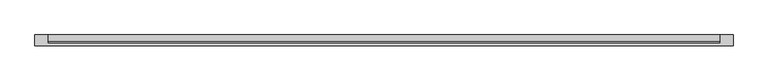
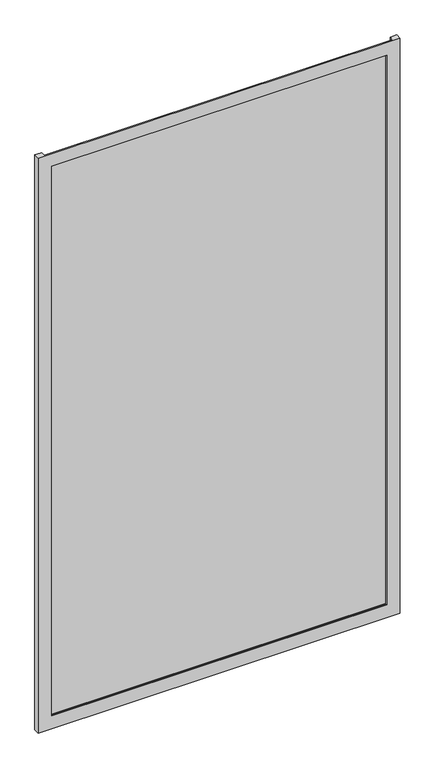
"""IFC4 building model written with IfcOpenShell, lengths in millimetres: plate geometry."""

from ifc_helpers import new_model, si_unit, origin, origin_with_axes, place, context, project, spatial, polyline, outline, extrude, faceted_brep, source, transform, mapped, element, save


def plate_caeba694(model_context):
    return source(origin(), model_context, "Body", "SolidModel", [
        faceted_brep([(675.0, -50.8, -50.0), (675.0, -71.8, -50.0), (-675.0, -71.8, -50.0), (-675.0, -50.8, -50.0), (-650.0, -50.8, -50.0), (-650.0, -66.8, -50.0), (650.0, -66.8, -50.0), (650.0, -50.8, -50.0), (625.0, -71.8, 0.0), (625.0, -66.8, 0.0), (-625.0, -66.8, 0.0), (-625.0, -71.8, 0.0), (675.0, -71.8, 2215.0), (-675.0, -71.8, 2215.0), (-625.0, -71.8, 2165.0), (625.0, -71.8, 2165.0), (-650.0, -66.8, 2215.0), (650.0, -66.8, 2215.0), (625.0, -66.8, 2165.0), (-625.0, -66.8, 2165.0), (675.0, -50.8, 2215.0), (650.0, -50.8, 2215.0), (-650.0, -50.8, 2215.0), (-675.0, -50.8, 2215.0)], [[[0, 1, 2, 3, 4, 5, 6, 7]], [[8, 9, 10, 11]], [[12, 13, 2, 1], [11, 14, 15, 8]], [[16, 17, 6, 5], [9, 18, 19, 10]], [[20, 21, 17, 16, 22, 23, 13, 12]], [[20, 0, 7, 21]], [[21, 7, 6, 17]], [[8, 15, 18, 9]], [[12, 1, 0, 20]], [[22, 4, 3, 23]], [[16, 5, 4, 22]], [[10, 19, 14, 11]], [[23, 3, 2, 13]], [[18, 15, 14, 19]]]),
        extrude(outline(polyline([(650.0, -50.8), (650.0, -63.2), (-650.0, -63.2), (-650.0, -50.8), (650.0, -50.8)])), origin_with_axes(), (0.0, 0.0, 1.0), 2165.0),
    ])


if __name__ == "__main__":
    model = new_model("IFC4")
    model_context = context("Model", 3, world=origin())
    ifc_project = project(units=[si_unit("LENGTHUNIT", "METRE", prefix="MILLI")], contexts=[model_context])
    site = spatial("IfcSite", under=ifc_project)
    building = spatial("IfcBuilding", under=site)
    placement = place(None, origin())
    plate_shape = plate_caeba694(model_context)
    element("IfcPlate", 1, at=placement, inside=building, context=model_context, shape_type="MappedRepresentation", body=[
        mapped(plate_shape, transform((0.0, 0.0, 0.0), x_axis=(1.0, 0.0, 0.0), y_axis=(0.0, 1.0, 0.0), z_axis=(0.0, 0.0, 1.0))),
    ])
    save(model, "model.ifc")
